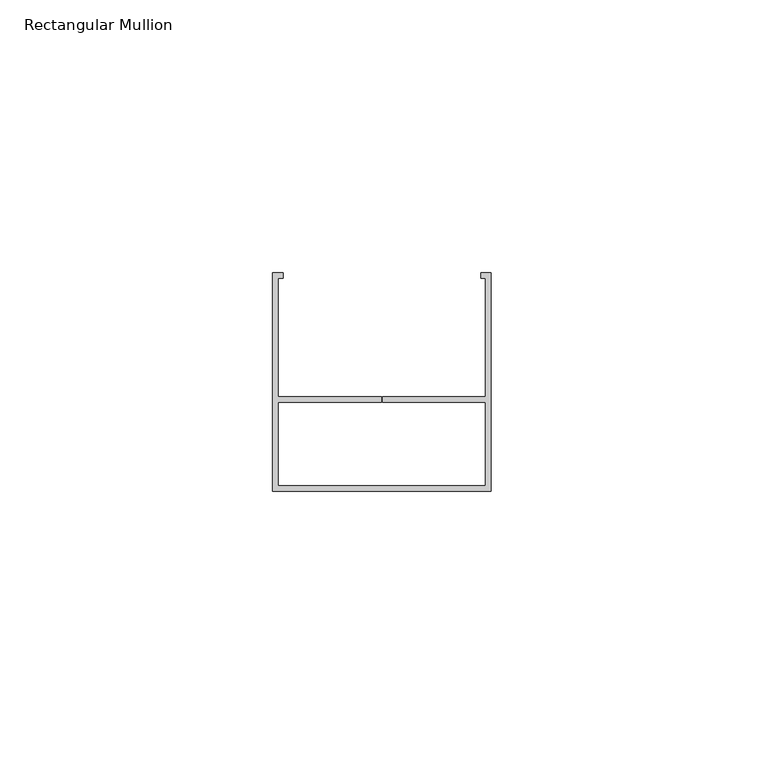
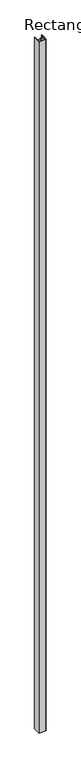
"""IFC4 building model written with IfcOpenShell, lengths in millimetres: member geometry, Rectangular Mullion."""

import ifcopenshell
import ifcopenshell.guid

model = None  # the IFC model being written
_history = None  # IfcOwnerHistory: only IFC2X3 demands one
_inside = {}  # id of a spatial element -> (the spatial element, [elements in it])
_under = {}  # id of a project, library or spatial element -> (it, [spatial elements below it])
_declared = {}  # id of a project -> (the project, [libraries it declares])
_typed = {}  # id of a type object -> (the type object, [elements of that type])
_made_of = {}  # id of a material, layer set ... -> (it, [elements and type objects made of it])


def new_model(schema):
    """Start an empty IFC model of exactly this schema.

    Asked for "IFC4X3", IfcOpenShell would pick the latest addendum, in which some entities
    have other attributes; the version numbers below select the first issue.
    IFC2X3 requires an IfcOwnerHistory on every rooted entity: one is made here for all.
    """
    global model, _history
    if schema == "IFC4X3":
        model = ifcopenshell.file(schema_version=(4, 3, 0, 0))
    else:
        model = ifcopenshell.file(schema=schema)
    _inside.clear()
    _under.clear()
    _declared.clear()
    _typed.clear()
    _made_of.clear()
    _history = None
    if model.schema == "IFC2X3":
        org = make("IfcOrganization", Name="unknown")
        user = make(
            "IfcPersonAndOrganization",
            ThePerson=make("IfcPerson", FamilyName="unknown"),
            TheOrganization=org,
        )
        app = make(
            "IfcApplication",
            ApplicationDeveloper=org,
            Version="unknown",
            ApplicationFullName="unknown",
            ApplicationIdentifier="unknown",
        )
        _history = make(
            "IfcOwnerHistory",
            OwningUser=user,
            OwningApplication=app,
            ChangeAction="ADDED",
            CreationDate=0,
        )
    return model


def make(cls, **values):
    """One entity of the class cls with the attributes given. An attribute that is None is left unset."""
    return model.create_entity(
        cls, **{name: value for name, value in values.items() if value is not None}
    )


def rooted(cls, **values):
    """An entity with a GlobalId (a new one), such as an element, a storey or a relation."""
    return make(cls, GlobalId=ifcopenshell.guid.new(), OwnerHistory=_history, **values)


def si_unit(unit_type, name, prefix=None):
    """IfcSIUnit, for example si_unit("LENGTHUNIT", "METRE", prefix="MILLI")."""
    return make("IfcSIUnit", UnitType=unit_type, Prefix=prefix, Name=name)


def assignment(units):
    """IfcUnitAssignment: the units of a project."""
    return None if units is None else make("IfcUnitAssignment", Units=units)


def point(xyz):
    """IfcCartesianPoint."""
    return None if xyz is None else make("IfcCartesianPoint", Coordinates=xyz)


def direction(xyz):
    """IfcDirection."""
    return None if xyz is None else make("IfcDirection", DirectionRatios=xyz)


def frame(location, z_axis=None, x_axis=None):
    """IfcAxis2Placement3D, a coordinate frame: its origin and axes. An axis left out is left unset."""
    return make(
        "IfcAxis2Placement3D",
        Location=point(location),
        Axis=direction(z_axis),
        RefDirection=direction(x_axis),
    )


def origin():
    """The frame at (0, 0, 0) with its axes left unset."""
    return frame((0.0, 0.0, 0.0))


def place(relative_to, where):
    """IfcLocalPlacement: puts the frame where relative to a parent placement (None: the world)."""
    return make(
        "IfcLocalPlacement", PlacementRelTo=relative_to, RelativePlacement=where
    )


def context(
    kind, dimensions, precision=None, world=None, true_north=None, identifier=None
):
    """IfcGeometricRepresentationContext, for example the 3D "Model" context."""
    return make(
        "IfcGeometricRepresentationContext",
        ContextIdentifier=identifier,
        ContextType=kind,
        CoordinateSpaceDimension=dimensions,
        Precision=precision,
        WorldCoordinateSystem=world,
        TrueNorth=true_north,
    )


def project(units=None, contexts=None):
    """IfcProject with its units and contexts."""
    return rooted(
        "IfcProject",
        Name="project",
        RepresentationContexts=contexts,
        UnitsInContext=assignment(units),
    )


def spatial(cls, under=None, at=None, **own):
    """A site, building, storey or space (cls), placed at a placement, below another one or the project."""
    s = rooted(cls, ObjectPlacement=at, **own)
    if under is not None:
        _under.setdefault(under.id(), (under, []))[1].append(s)
    return s


def polyline(points):
    """IfcPolyline through the points."""
    return make("IfcPolyline", Points=[point(p) for p in points])


def outline(outer, holes=None, kind="AREA"):
    """IfcArbitraryClosedProfileDef: a profile drawn as a closed curve; with holes, ...WithVoids."""
    if holes is None:
        return make("IfcArbitraryClosedProfileDef", ProfileType=kind, OuterCurve=outer)
    return make(
        "IfcArbitraryProfileDefWithVoids",
        ProfileType=kind,
        OuterCurve=outer,
        InnerCurves=holes,
    )


def extrude(swept, where, along, depth):
    """IfcExtrudedAreaSolid: the profile swept, set in the frame where, extruded along a direction by depth."""
    return make(
        "IfcExtrudedAreaSolid",
        SweptArea=swept,
        Position=where,
        ExtrudedDirection=direction(along),
        Depth=depth,
    )


def shape(context_of_items, identifier, shape_type, items):
    """IfcShapeRepresentation: the items that make up one representation, for example the "Body"."""
    return make(
        "IfcShapeRepresentation",
        ContextOfItems=context_of_items,
        RepresentationIdentifier=identifier,
        RepresentationType=shape_type,
        Items=items,
    )


def source(mapping_origin, context_of_items, identifier, shape_type, items):
    """IfcRepresentationMap: a shape defined once, which mapped items show again and again."""
    return make(
        "IfcRepresentationMap",
        MappingOrigin=mapping_origin,
        MappedRepresentation=shape(context_of_items, identifier, shape_type, items),
    )


def transform(
    local_origin,
    x_axis=None,
    y_axis=None,
    z_axis=None,
    scale=None,
    scale2=None,
    scale3=None,
    uniform=True,
):
    """IfcCartesianTransformationOperator3D, or its non-uniform kind. x_axis, y_axis, z_axis: its Axis1, 2, 3."""
    if uniform:
        return make(
            "IfcCartesianTransformationOperator3D",
            Axis1=direction(x_axis),
            Axis2=direction(y_axis),
            LocalOrigin=point(local_origin),
            Scale=scale,
            Axis3=direction(z_axis),
        )
    return make(
        "IfcCartesianTransformationOperator3DnonUniform",
        Axis1=direction(x_axis),
        Axis2=direction(y_axis),
        LocalOrigin=point(local_origin),
        Scale=scale,
        Axis3=direction(z_axis),
        Scale2=scale2,
        Scale3=scale3,
    )


def mapped(mapping_source, mapping_target):
    """IfcMappedItem: shows the shape of a source again, moved by a transform."""
    return make(
        "IfcMappedItem", MappingSource=mapping_source, MappingTarget=mapping_target
    )


def made_of(thing, what):
    """Note that an element or type object is made of a material, layer set ...; save() writes the relation."""
    if what is not None:
        _made_of.setdefault(what.id(), (what, []))[1].append(thing)
    return thing


def element(
    cls,
    number,
    at=None,
    inside=None,
    cuts=None,
    type_object=None,
    material=None,
    context=None,
    identifier="Body",
    shape_type=None,
    held_by="IfcProductDefinitionShape",
    body=None,
    shapes=None,
    **own,
):
    """One element of the class cls, such as IfcWall. Its Tag is "e" and its number.

    at: its placement. inside: the storey or other place that contains it. cuts: it is an
    opening in that element (IfcRelVoidsElement). A single representation is given by context,
    identifier, shape_type and body (its items); several are given by shapes. held_by: the class
    of the entity that holds the representations. save() writes the other relations.
    """
    e = rooted(cls, Tag="e%d" % number, ObjectPlacement=at, **own)
    if body is not None:
        shapes = [shape(context, identifier, shape_type, body)]
    if shapes is not None:
        e.Representation = make(held_by, Representations=shapes)
    if inside is not None:
        _inside.setdefault(inside.id(), (inside, []))[1].append(e)
    if cuts is not None:
        rooted(
            "IfcRelVoidsElement", RelatingBuildingElement=cuts, RelatedOpeningElement=e
        )
    if type_object is not None:
        _typed.setdefault(type_object.id(), (type_object, []))[1].append(e)
    return made_of(e, material)


def aggregate(whole, parts):
    """IfcRelAggregates: a whole, such as a stair, and the parts it consists of."""
    return rooted("IfcRelAggregates", RelatingObject=whole, RelatedObjects=parts)


def save(model, path):
    """Write the relations noted so far, then the file.

    IfcRelAggregates (storeys below a building ...), IfcRelContainedInSpatialStructure (elements
    in a storey), IfcRelDefinesByType, IfcRelAssociatesMaterial and IfcRelDeclares: one each for
    every whole, place, type object, material and project.
    """
    for whole, parts in _under.values():
        aggregate(whole, parts)
    for where, things in _inside.values():
        rooted(
            "IfcRelContainedInSpatialStructure",
            RelatedElements=things,
            RelatingStructure=where,
        )
    for kind, things in _typed.values():
        rooted("IfcRelDefinesByType", RelatedObjects=things, RelatingType=kind)
    for what, things in _made_of.values():
        rooted("IfcRelAssociatesMaterial", RelatedObjects=things, RelatingMaterial=what)
    for by, libraries in _declared.values():
        rooted("IfcRelDeclares", RelatingContext=by, RelatedDefinitions=libraries)
    model.write(path)


def rectangular_mullion_61c535fa(model_context):
    return source(origin(), model_context, "Body", "SweptSolid", [
        extrude(outline(polyline([(0.0, -20.0), (-40.0, -20.0), (-40.0, 20.0), (-38.121247, 20.0), (-38.121247, 19.0), (-39.0, 19.0), (-39.0, -2.6912936), (-20.0940207, -2.6912936), (-20.0940207, -3.6912936), (-39.0, -3.6912936), (-39.0, -19.0), (-1.0, -19.0), (-1.0, -3.6912936), (-19.9065207, -3.6912936), (-19.9065207, -2.6912936), (-1.0, -2.6912936), (-1.0, 19.0), (-1.8543362, 19.0), (-1.8543362, 20.0), (0.0, 20.0), (0.0, -20.0)])), frame((0.0, 0.0, -4000.0), z_axis=(0.0, 0.0, 1.0), x_axis=(1.0, 0.0, 0.0)), (0.0, 0.0, 1.0), 4000.0),
    ])


if __name__ == "__main__":
    model = new_model("IFC4")
    model_context = context("Model", 3, world=origin())
    ifc_project = project(units=[si_unit("LENGTHUNIT", "METRE", prefix="MILLI")], contexts=[model_context])
    site = spatial("IfcSite", under=ifc_project)
    building = spatial("IfcBuilding", under=site)
    placement = place(None, origin())
    rectangular_mullion_shape = rectangular_mullion_61c535fa(model_context)
    element("IfcMember", 1, ObjectType="Rectangular Mullion", at=placement, inside=building, context=model_context, shape_type="MappedRepresentation", body=[
        mapped(rectangular_mullion_shape, transform((0.0, 0.0, 0.0), x_axis=(1.0, 0.0, 0.0), y_axis=(0.0, 1.0, 0.0), z_axis=(0.0, 0.0, 1.0))),
    ])
    save(model, "model.ifc")
